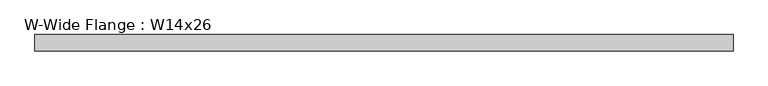
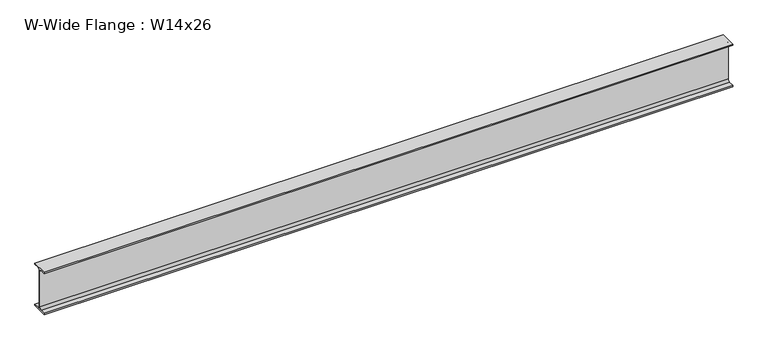
"""IFC4 building model written with IfcOpenShell, lengths in millimetres: beam geometry, W-Wide Flange : W14x26."""

import ifcopenshell
import ifcopenshell.guid

model = None  # the IFC model being written
_history = None  # IfcOwnerHistory: only IFC2X3 demands one
_inside = {}  # id of a spatial element -> (the spatial element, [elements in it])
_under = {}  # id of a project, library or spatial element -> (it, [spatial elements below it])
_declared = {}  # id of a project -> (the project, [libraries it declares])
_typed = {}  # id of a type object -> (the type object, [elements of that type])
_made_of = {}  # id of a material, layer set ... -> (it, [elements and type objects made of it])


def new_model(schema):
    """Start an empty IFC model of exactly this schema.

    Asked for "IFC4X3", IfcOpenShell would pick the latest addendum, in which some entities
    have other attributes; the version numbers below select the first issue.
    IFC2X3 requires an IfcOwnerHistory on every rooted entity: one is made here for all.
    """
    global model, _history
    if schema == "IFC4X3":
        model = ifcopenshell.file(schema_version=(4, 3, 0, 0))
    else:
        model = ifcopenshell.file(schema=schema)
    _inside.clear()
    _under.clear()
    _declared.clear()
    _typed.clear()
    _made_of.clear()
    _history = None
    if model.schema == "IFC2X3":
        org = make("IfcOrganization", Name="unknown")
        user = make(
            "IfcPersonAndOrganization",
            ThePerson=make("IfcPerson", FamilyName="unknown"),
            TheOrganization=org,
        )
        app = make(
            "IfcApplication",
            ApplicationDeveloper=org,
            Version="unknown",
            ApplicationFullName="unknown",
            ApplicationIdentifier="unknown",
        )
        _history = make(
            "IfcOwnerHistory",
            OwningUser=user,
            OwningApplication=app,
            ChangeAction="ADDED",
            CreationDate=0,
        )
    return model


def make(cls, **values):
    """One entity of the class cls with the attributes given. An attribute that is None is left unset."""
    return model.create_entity(
        cls, **{name: value for name, value in values.items() if value is not None}
    )


def rooted(cls, **values):
    """An entity with a GlobalId (a new one), such as an element, a storey or a relation."""
    return make(cls, GlobalId=ifcopenshell.guid.new(), OwnerHistory=_history, **values)


def si_unit(unit_type, name, prefix=None):
    """IfcSIUnit, for example si_unit("LENGTHUNIT", "METRE", prefix="MILLI")."""
    return make("IfcSIUnit", UnitType=unit_type, Prefix=prefix, Name=name)


def assignment(units):
    """IfcUnitAssignment: the units of a project."""
    return None if units is None else make("IfcUnitAssignment", Units=units)


def point(xyz):
    """IfcCartesianPoint."""
    return None if xyz is None else make("IfcCartesianPoint", Coordinates=xyz)


def direction(xyz):
    """IfcDirection."""
    return None if xyz is None else make("IfcDirection", DirectionRatios=xyz)


def frame(location, z_axis=None, x_axis=None):
    """IfcAxis2Placement3D, a coordinate frame: its origin and axes. An axis left out is left unset."""
    return make(
        "IfcAxis2Placement3D",
        Location=point(location),
        Axis=direction(z_axis),
        RefDirection=direction(x_axis),
    )


def frame_2d(location, x_axis=None):
    """IfcAxis2Placement2D, a coordinate frame in the plane: its origin and x axis."""
    return make(
        "IfcAxis2Placement2D", Location=point(location), RefDirection=direction(x_axis)
    )


def origin():
    """The frame at (0, 0, 0) with its axes left unset."""
    return frame((0.0, 0.0, 0.0))


def place(relative_to, where):
    """IfcLocalPlacement: puts the frame where relative to a parent placement (None: the world)."""
    return make(
        "IfcLocalPlacement", PlacementRelTo=relative_to, RelativePlacement=where
    )


def context(
    kind, dimensions, precision=None, world=None, true_north=None, identifier=None
):
    """IfcGeometricRepresentationContext, for example the 3D "Model" context."""
    return make(
        "IfcGeometricRepresentationContext",
        ContextIdentifier=identifier,
        ContextType=kind,
        CoordinateSpaceDimension=dimensions,
        Precision=precision,
        WorldCoordinateSystem=world,
        TrueNorth=true_north,
    )


def project(units=None, contexts=None):
    """IfcProject with its units and contexts."""
    return rooted(
        "IfcProject",
        Name="project",
        RepresentationContexts=contexts,
        UnitsInContext=assignment(units),
    )


def spatial(cls, under=None, at=None, **own):
    """A site, building, storey or space (cls), placed at a placement, below another one or the project."""
    s = rooted(cls, ObjectPlacement=at, **own)
    if under is not None:
        _under.setdefault(under.id(), (under, []))[1].append(s)
    return s


def polyline(points):
    """IfcPolyline through the points."""
    return make("IfcPolyline", Points=[point(p) for p in points])


def circle_curve(where, radius):
    """IfcCircle in the frame where."""
    return make("IfcCircle", Position=where, Radius=radius)


def trimmed(basis, trim1, trim2, sense, master):
    """IfcTrimmedCurve: the piece of a basis curve between two trims."""
    return make(
        "IfcTrimmedCurve",
        BasisCurve=basis,
        Trim1=trim1,
        Trim2=trim2,
        SenseAgreement=sense,
        MasterRepresentation=master,
    )


def segment(curve, same_sense, transition):
    """IfcCompositeCurveSegment."""
    return make(
        "IfcCompositeCurveSegment",
        Transition=transition,
        SameSense=same_sense,
        ParentCurve=curve,
    )


def composite_curve(segments, self_intersect=None):
    """IfcCompositeCurve: segments joined end to end."""
    return make("IfcCompositeCurve", Segments=segments, SelfIntersect=self_intersect)


def outline(outer, holes=None, kind="AREA"):
    """IfcArbitraryClosedProfileDef: a profile drawn as a closed curve; with holes, ...WithVoids."""
    if holes is None:
        return make("IfcArbitraryClosedProfileDef", ProfileType=kind, OuterCurve=outer)
    return make(
        "IfcArbitraryProfileDefWithVoids",
        ProfileType=kind,
        OuterCurve=outer,
        InnerCurves=holes,
    )


def extrude(swept, where, along, depth):
    """IfcExtrudedAreaSolid: the profile swept, set in the frame where, extruded along a direction by depth."""
    return make(
        "IfcExtrudedAreaSolid",
        SweptArea=swept,
        Position=where,
        ExtrudedDirection=direction(along),
        Depth=depth,
    )


def shape(context_of_items, identifier, shape_type, items):
    """IfcShapeRepresentation: the items that make up one representation, for example the "Body"."""
    return make(
        "IfcShapeRepresentation",
        ContextOfItems=context_of_items,
        RepresentationIdentifier=identifier,
        RepresentationType=shape_type,
        Items=items,
    )


def source(mapping_origin, context_of_items, identifier, shape_type, items):
    """IfcRepresentationMap: a shape defined once, which mapped items show again and again."""
    return make(
        "IfcRepresentationMap",
        MappingOrigin=mapping_origin,
        MappedRepresentation=shape(context_of_items, identifier, shape_type, items),
    )


def transform(
    local_origin,
    x_axis=None,
    y_axis=None,
    z_axis=None,
    scale=None,
    scale2=None,
    scale3=None,
    uniform=True,
):
    """IfcCartesianTransformationOperator3D, or its non-uniform kind. x_axis, y_axis, z_axis: its Axis1, 2, 3."""
    if uniform:
        return make(
            "IfcCartesianTransformationOperator3D",
            Axis1=direction(x_axis),
            Axis2=direction(y_axis),
            LocalOrigin=point(local_origin),
            Scale=scale,
            Axis3=direction(z_axis),
        )
    return make(
        "IfcCartesianTransformationOperator3DnonUniform",
        Axis1=direction(x_axis),
        Axis2=direction(y_axis),
        LocalOrigin=point(local_origin),
        Scale=scale,
        Axis3=direction(z_axis),
        Scale2=scale2,
        Scale3=scale3,
    )


def mapped(mapping_source, mapping_target):
    """IfcMappedItem: shows the shape of a source again, moved by a transform."""
    return make(
        "IfcMappedItem", MappingSource=mapping_source, MappingTarget=mapping_target
    )


def made_of(thing, what):
    """Note that an element or type object is made of a material, layer set ...; save() writes the relation."""
    if what is not None:
        _made_of.setdefault(what.id(), (what, []))[1].append(thing)
    return thing


def element(
    cls,
    number,
    at=None,
    inside=None,
    cuts=None,
    type_object=None,
    material=None,
    context=None,
    identifier="Body",
    shape_type=None,
    held_by="IfcProductDefinitionShape",
    body=None,
    shapes=None,
    **own,
):
    """One element of the class cls, such as IfcWall. Its Tag is "e" and its number.

    at: its placement. inside: the storey or other place that contains it. cuts: it is an
    opening in that element (IfcRelVoidsElement). A single representation is given by context,
    identifier, shape_type and body (its items); several are given by shapes. held_by: the class
    of the entity that holds the representations. save() writes the other relations.
    """
    e = rooted(cls, Tag="e%d" % number, ObjectPlacement=at, **own)
    if body is not None:
        shapes = [shape(context, identifier, shape_type, body)]
    if shapes is not None:
        e.Representation = make(held_by, Representations=shapes)
    if inside is not None:
        _inside.setdefault(inside.id(), (inside, []))[1].append(e)
    if cuts is not None:
        rooted(
            "IfcRelVoidsElement", RelatingBuildingElement=cuts, RelatedOpeningElement=e
        )
    if type_object is not None:
        _typed.setdefault(type_object.id(), (type_object, []))[1].append(e)
    return made_of(e, material)


def aggregate(whole, parts):
    """IfcRelAggregates: a whole, such as a stair, and the parts it consists of."""
    return rooted("IfcRelAggregates", RelatingObject=whole, RelatedObjects=parts)


def save(model, path):
    """Write the relations noted so far, then the file.

    IfcRelAggregates (storeys below a building ...), IfcRelContainedInSpatialStructure (elements
    in a storey), IfcRelDefinesByType, IfcRelAssociatesMaterial and IfcRelDeclares: one each for
    every whole, place, type object, material and project.
    """
    for whole, parts in _under.values():
        aggregate(whole, parts)
    for where, things in _inside.values():
        rooted(
            "IfcRelContainedInSpatialStructure",
            RelatedElements=things,
            RelatingStructure=where,
        )
    for kind, things in _typed.values():
        rooted("IfcRelDefinesByType", RelatedObjects=things, RelatingType=kind)
    for what, things in _made_of.values():
        rooted("IfcRelAssociatesMaterial", RelatedObjects=things, RelatingMaterial=what)
    for by, libraries in _declared.values():
        rooted("IfcRelDeclares", RelatingContext=by, RelatedDefinitions=libraries)
    model.write(path)


def w_wide_flange_w14x26_8d53f004(model_context):
    return source(origin(), model_context, "Body", "SweptSolid", [
        extrude(outline(composite_curve([segment(polyline([(63.881, -165.862), (63.881, -176.53), (-63.881, -176.53), (-63.881, -165.862), (-21.1455, -165.862)]), True, "CONTINUOUS"), segment(trimmed(circle_curve(frame_2d((-21.1455, -147.955)), 17.907), [point((-21.1455, -165.862))], [point((-3.2385, -147.955))], True, "CARTESIAN"), True, "CONTINUOUS"), segment(polyline([(-3.2385, -147.955), (-3.2385, 147.955)]), True, "CONTINUOUS"), segment(trimmed(circle_curve(frame_2d((-21.1455, 147.955)), 17.907), [point((-3.2385, 147.955))], [point((-21.1455, 165.862))], True, "CARTESIAN"), True, "CONTINUOUS"), segment(polyline([(-21.1455, 165.862), (-63.881, 165.862), (-63.881, 176.53), (63.881, 176.53), (63.881, 165.862), (21.1455, 165.862)]), True, "CONTINUOUS"), segment(trimmed(circle_curve(frame_2d((21.1455, 147.955)), 17.907), [point((21.1455, 165.862))], [point((3.2385, 147.955))], True, "CARTESIAN"), True, "CONTINUOUS"), segment(polyline([(3.2385, 147.955), (3.2385, -147.955)]), True, "CONTINUOUS"), segment(trimmed(circle_curve(frame_2d((21.1455, -147.955)), 17.907), [point((3.2385, -147.955))], [point((21.1455, -165.862))], True, "CARTESIAN"), True, "CONTINUOUS"), segment(polyline([(21.1455, -165.862), (63.881, -165.862)]), True, "CONTINUOUS")], self_intersect=False)), frame((-2717.1033191, 0.0, 0.0), z_axis=(1.0, 0.0, 0.0), x_axis=(0.0, 1.0, 0.0)), (0.0, 0.0, 1.0), 5434.2066382),
    ])


if __name__ == "__main__":
    model = new_model("IFC4")
    model_context = context("Model", 3, world=origin())
    ifc_project = project(units=[si_unit("LENGTHUNIT", "METRE", prefix="MILLI")], contexts=[model_context])
    site = spatial("IfcSite", under=ifc_project)
    building = spatial("IfcBuilding", under=site)
    placement = place(None, origin())
    w_wide_flange_w14x26_shape = w_wide_flange_w14x26_8d53f004(model_context)
    element("IfcBeam", 1, ObjectType="W-Wide Flange : W14x26", at=placement, inside=building, context=model_context, shape_type="MappedRepresentation", body=[
        mapped(w_wide_flange_w14x26_shape, transform((0.0, 0.0, 0.0), x_axis=(1.0, 0.0, 0.0), y_axis=(0.0, 1.0, 0.0), z_axis=(0.0, 0.0, 1.0))),
    ])
    save(model, "model.ifc")
